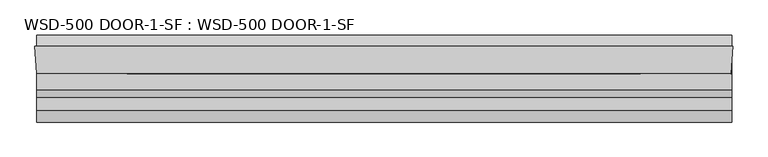
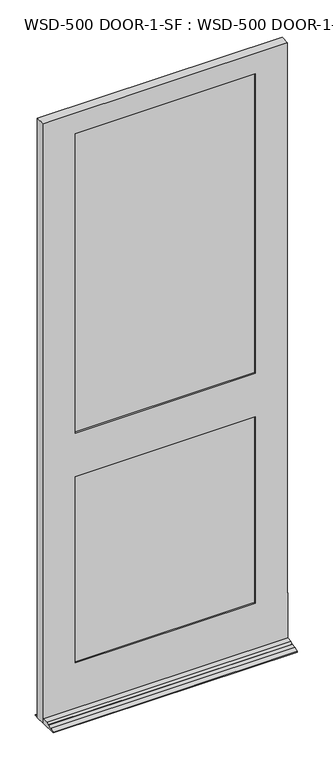
"""IFC4 building model written with IfcOpenShell, lengths in millimetres: plate geometry, WSD-500 DOOR-1-SF : WSD-500 DOOR-1-SF."""

from ifc_helpers import new_model, si_unit, frame, origin, place, context, project, spatial, polyline, outline, extrude, faceted_brep, source, transform, mapped, element, save


def wsd_500_door_1_sf_wsd_500_door_1_sf_81721a59(model_context):
    return source(origin(), model_context, "Body", "SolidModel", [
        faceted_brep([(570.0313901, -1.2997472, 0.0), (571.4353327, -1.2997472, 0.0), (570.0313901, -23.8401106, 0.0), (570.0313901, -125.1247472, 0.0), (-575.0814, -125.1247472, 0.0), (-575.0814, -45.7497472, 0.0), (-577.85, -1.2997472, 0.0), (-575.0814, -1.2997472, 0.0), (-575.0814, 17.7502528, 0.0), (570.0313901, 17.7502528, 0.0), (570.0313901, -38.3075472, 226.2251), (570.0313901, -38.3075472, 246.0625), (570.0313901, -45.7497472, 246.0625), (570.0313901, -45.7497472, 21.4376), (570.0313901, -71.6196472, 21.4376), (570.0313901, -84.0402472, 14.2748), (570.0313901, -84.0402472, 12.7), (570.0313901, -106.0747472, 12.7), (570.0313901, -125.1247472, 3.175), (570.0313901, -23.8401106, 226.2251), (570.0313901, 17.7502528, 3.175), (570.0313901, -1.2997472, 12.7), (-575.0814, -1.2997472, 12.7), (-575.0814, 17.7502528, 3.175), (-575.0814, -125.1247472, 3.175), (-575.0814, -106.0747472, 12.7), (-575.0814, -84.0402472, 12.7), (-575.0814, -84.0402472, 14.2748), (-575.0814, -71.6196472, 21.4376), (-575.0814, -45.7497472, 21.4376), (571.4353327, -1.2997472, 2971.7168046), (-577.85, -1.2997472, 2971.7168046), (-425.45, -1.2997472, 1169.9748), (-425.45, -1.2997472, 246.0625), (419.0353327, -1.2997472, 246.0625), (419.0353327, -1.2997472, 1169.9748), (419.0353327, -1.2997472, 2870.1168046), (-425.45, -1.2997472, 2870.1168046), (-425.45, -1.2997472, 1385.8748), (419.0353327, -1.2997472, 1385.8748), (419.0353327, -12.9075472, 2870.1168046), (-425.45, -12.9075472, 2870.1168046), (438.8727327, -12.9075472, 1189.8249), (-445.2874, -12.9075472, 1189.8249), (-445.2874, -12.9075472, 226.2251), (438.8727327, -12.9075472, 226.2251), (-425.45, -12.9075472, 1169.9748), (419.0353327, -12.9075472, 1169.9748), (419.0353327, -12.9075472, 246.0625), (-425.45, -12.9075472, 246.0625), (438.8727327, -12.9075472, 2890.0374), (-445.2874, -12.9075472, 2890.0374), (-445.2874, -12.9075472, 1366.0374), (438.8727327, -12.9075472, 1366.0374), (419.0353327, -12.9075472, 1385.8748), (-425.45, -12.9075472, 1385.8748), (438.8727327, -38.3075472, 2890.0374), (-445.2874, -38.3075472, 2890.0374), (569.1302755, -38.3075472, 226.2251), (569.1302755, -38.3075472, 246.0625), (-445.2874, -38.3075472, 1189.8249), (438.8727327, -38.3075472, 1189.8249), (438.8727327, -38.3075472, 226.2251), (-445.2874, -38.3075472, 226.2251), (419.0353327, -38.3075472, 1169.9748), (-425.45, -38.3075472, 1169.9748), (-425.45, -38.3075472, 246.0625), (419.0353327, -38.3075472, 246.0625), (438.8727327, -38.3075472, 1366.0374), (-445.2874, -38.3075472, 1366.0374), (419.0353327, -38.3075472, 2870.1168046), (-425.45, -38.3075472, 2870.1168046), (-425.45, -38.3075472, 1385.8748), (419.0353327, -38.3075472, 1385.8748), (419.0353327, -45.7497472, 2870.1168046), (-425.45, -45.7497472, 2870.1168046), (568.6667327, -45.7497472, 2971.7168046), (-575.0814, -45.7497472, 2971.7168046), (568.6667327, -45.7497472, 246.0625), (419.0353327, -45.7497472, 1169.9748), (419.0353327, -45.7497472, 246.0625), (-425.45, -45.7497472, 246.0625), (-425.45, -45.7497472, 1169.9748), (419.0353327, -45.7497472, 1385.8748), (-425.45, -45.7497472, 1385.8748)], [[[0, 1, 2, 3, 4, 5, 6, 7, 8, 9]], [[10, 11, 12, 13, 14, 15, 16, 17, 18, 3, 2, 19]], [[9, 20, 21, 0]], [[22, 23, 8, 7]], [[4, 24, 25, 26, 27, 28, 29, 5]], [[30, 1, 0, 21, 22, 7, 6, 31], [32, 33, 34, 35], [36, 37, 38, 39]], [[36, 40, 41, 37]], [[42, 43, 44, 45], [46, 47, 48, 49]], [[50, 51, 52, 53], [41, 40, 54, 55]], [[50, 56, 57, 51]], [[11, 10, 58, 59]], [[60, 61, 62, 63], [64, 65, 66, 67]], [[57, 56, 68, 69], [70, 71, 72, 73]], [[70, 74, 75, 71]], [[76, 77, 29, 13, 12, 78], [79, 80, 81, 82], [75, 74, 83, 84]], [[76, 30, 31, 77]], [[56, 50, 53, 68]], [[62, 61, 42, 45]], [[74, 70, 73, 83]], [[79, 64, 67, 80]], [[30, 76, 78, 59, 58, 19, 2, 1]], [[40, 36, 39, 54]], [[47, 35, 34, 48]], [[29, 77, 31, 6, 5]], [[71, 75, 84, 72]], [[65, 82, 81, 66]], [[44, 43, 60, 63]], [[51, 57, 69, 52]], [[37, 41, 55, 38]], [[32, 46, 49, 33]], [[39, 38, 55, 54]], [[68, 53, 52, 69]], [[73, 72, 84, 83]], [[65, 64, 79, 82]], [[42, 61, 60, 43]], [[32, 35, 47, 46]], [[10, 19, 58]], [[63, 62, 45, 44]], [[12, 11, 59, 78]], [[67, 66, 81, 80]], [[14, 13, 29, 28]], [[15, 14, 28, 27]], [[16, 15, 27, 26]], [[17, 16, 26, 25]], [[18, 17, 25, 24]], [[3, 18, 24, 4]], [[20, 9, 8, 23]], [[22, 21, 20, 23]], [[34, 33, 49, 48]]]),
        extrude(outline(polyline([(-443.3912802, -12.9075472), (438.2588756, -12.9075472), (438.2588756, -17.9875472), (-443.3912802, -17.9875472), (-443.3912802, -12.9075472)])), frame((0.0, 0.0, 1366.0374), z_axis=(0.0, 0.0, 1.0), x_axis=(1.0, 0.0, 0.0)), (0.0, 0.0, 1.0), 1524.0),
        extrude(outline(polyline([(438.2588756, -27.3855472), (438.2588756, -32.4655472), (-443.3912802, -32.4655472), (-443.3912802, -27.3855472), (438.2588756, -27.3855472)])), frame((0.0, 0.0, 1366.0374), z_axis=(0.0, 0.0, 1.0), x_axis=(1.0, 0.0, 0.0)), (0.0, 0.0, 1.0), 1524.0),
        extrude(outline(polyline([(-443.3912802, -33.2275472), (438.2588756, -33.2275472), (438.2588756, -38.3075472), (-443.3912802, -38.3075472), (-443.3912802, -33.2275472)])), frame((0.0, 0.0, 1366.0374), z_axis=(0.0, 0.0, 1.0), x_axis=(1.0, 0.0, 0.0)), (0.0, 0.0, 1.0), 1524.0),
        extrude(outline(polyline([(-445.2874, -12.9075472), (438.8727327, -12.9075472), (438.8727327, -17.9875472), (-445.2874, -17.9875472), (-445.2874, -12.9075472)])), frame((0.0, 0.0, 226.21875), z_axis=(0.0, 0.0, 1.0), x_axis=(1.0, 0.0, 0.0)), (0.0, 0.0, 1.0), 963.60615),
        extrude(outline(polyline([(438.8727327, -27.3855472), (438.8727327, -32.4655472), (-445.2874, -32.4655472), (-445.2874, -27.3855472), (438.8727327, -27.3855472)])), frame((0.0, 0.0, 226.21875), z_axis=(0.0, 0.0, 1.0), x_axis=(1.0, 0.0, 0.0)), (0.0, 0.0, 1.0), 963.60615),
        extrude(outline(polyline([(-445.2874, -33.2275472), (438.8727327, -33.2275472), (438.8727327, -38.3075472), (-445.2874, -38.3075472), (-445.2874, -33.2275472)])), frame((0.0, 0.0, 226.21875), z_axis=(0.0, 0.0, 1.0), x_axis=(1.0, 0.0, 0.0)), (0.0, 0.0, 1.0), 963.60615),
    ])


if __name__ == "__main__":
    model = new_model("IFC4")
    model_context = context("Model", 3, world=origin())
    ifc_project = project(units=[si_unit("LENGTHUNIT", "METRE", prefix="MILLI")], contexts=[model_context])
    site = spatial("IfcSite", under=ifc_project)
    building = spatial("IfcBuilding", under=site)
    placement = place(None, origin())
    wsd_500_door_1_sf_wsd_500_door_1_sf_shape = wsd_500_door_1_sf_wsd_500_door_1_sf_81721a59(model_context)
    element("IfcPlate", 1, ObjectType="WSD-500 DOOR-1-SF : WSD-500 DOOR-1-SF", at=placement, inside=building, context=model_context, shape_type="MappedRepresentation", body=[
        mapped(wsd_500_door_1_sf_wsd_500_door_1_sf_shape, transform((0.0, 0.0, 0.0), x_axis=(1.0, 0.0, 0.0), y_axis=(0.0, 1.0, 0.0), z_axis=(0.0, 0.0, 1.0))),
    ])
    save(model, "model.ifc")
